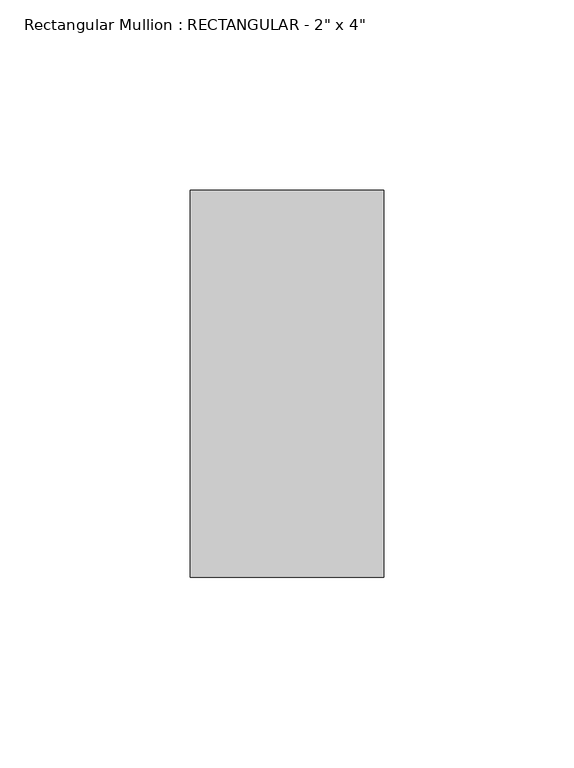
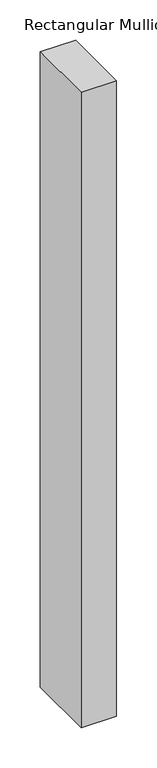
"""IFC4 building model written with IfcOpenShell, lengths in millimetres: member geometry."""

from ifc_helpers import new_model, si_unit, frame, origin, place, context, project, spatial, polyline, outline, extrude, source, transform, mapped, element, save


def member_d1b90bc6(model_context):
    return source(origin(), model_context, "Body", "SweptSolid", [
        extrude(outline(polyline([(0.0, 50.8), (0.0, -50.8), (-50.8, -50.8), (-50.8, 50.8), (0.0, 50.8)])), frame((0.0, 0.0, -965.2000003), z_axis=(0.0, 0.0, 1.0), x_axis=(1.0, 0.0, 0.0)), (0.0, 0.0, 1.0), 965.2000003),
    ])


if __name__ == "__main__":
    model = new_model("IFC4")
    model_context = context("Model", 3, world=origin())
    ifc_project = project(units=[si_unit("LENGTHUNIT", "METRE", prefix="MILLI")], contexts=[model_context])
    site = spatial("IfcSite", under=ifc_project)
    building = spatial("IfcBuilding", under=site)
    placement = place(None, origin())
    member_shape = member_d1b90bc6(model_context)
    element("IfcMember", 1, ObjectType="Rectangular Mullion : RECTANGULAR - 2\" x 4\"", at=placement, inside=building, context=model_context, shape_type="MappedRepresentation", body=[
        mapped(member_shape, transform((0.0, 0.0, 0.0), x_axis=(1.0, 0.0, 0.0), y_axis=(0.0, 1.0, 0.0), z_axis=(0.0, 0.0, 1.0))),
    ])
    save(model, "model.ifc")
